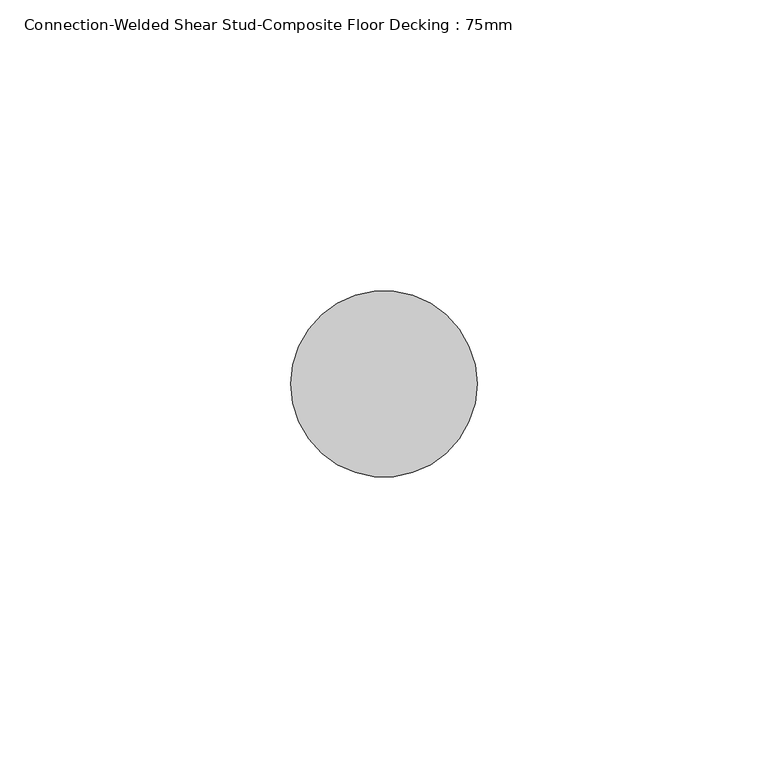
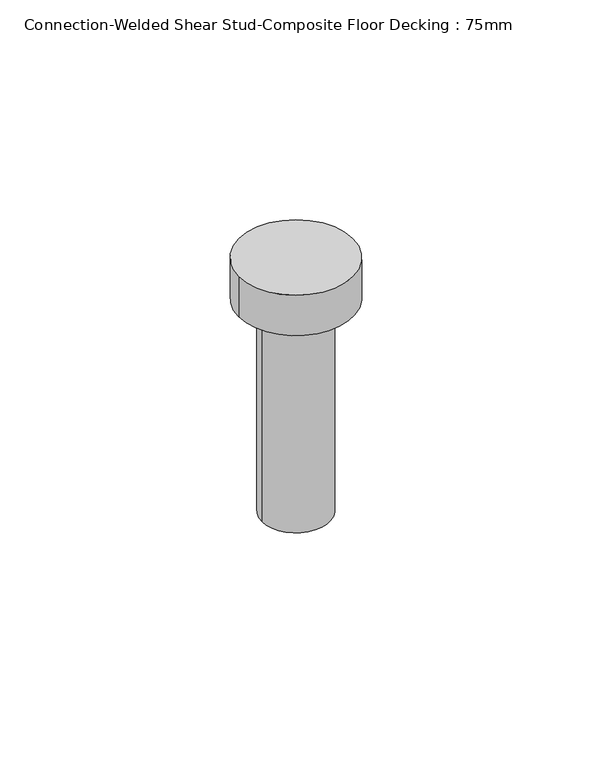
"""IFC4 building model written with IfcOpenShell, lengths in millimetres: fastener geometry, Connection-Welded Shear Stud-Composite Floor Decking : 75mm."""

from ifc_helpers import new_model, si_unit, point, frame, origin, origin_with_axes, origin_2d, place, context, project, spatial, circle_curve, trimmed, segment, composite_curve, outline, extrude, source, transform, mapped, element, save


def connection_welded_shear_stud_composite_floor_decking_75mm_8892bce3(model_context):
    return source(origin(), model_context, "Body", "SweptSolid", [
        extrude(outline(composite_curve([segment(trimmed(circle_curve(origin_2d(), 16.0), [point((16.0, 0.0))], [point((-16.0, 0.0))], False, "CARTESIAN"), True, "CONTINUOUS"), segment(trimmed(circle_curve(origin_2d(), 16.0), [point((-16.0, 0.0))], [point((16.0, 0.0))], False, "CARTESIAN"), True, "CONTINUOUS")], self_intersect=False)), frame((0.0, 0.0, 63.0), z_axis=(0.0, 0.0, 1.0), x_axis=(1.0, 0.0, 0.0)), (0.0, 0.0, 1.0), 12.0),
        extrude(outline(composite_curve([segment(trimmed(circle_curve(origin_2d(), 9.5), [point((-9.5, 0.0))], [point((9.5, 0.0))], False, "CARTESIAN"), True, "CONTINUOUS"), segment(trimmed(circle_curve(origin_2d(), 9.5), [point((9.5, 0.0))], [point((-9.5, 0.0))], False, "CARTESIAN"), True, "CONTINUOUS")], self_intersect=False)), origin_with_axes(), (0.0, 0.0, 1.0), 63.0),
    ])


if __name__ == "__main__":
    model = new_model("IFC4")
    model_context = context("Model", 3, world=origin())
    ifc_project = project(units=[si_unit("LENGTHUNIT", "METRE", prefix="MILLI")], contexts=[model_context])
    site = spatial("IfcSite", under=ifc_project)
    building = spatial("IfcBuilding", under=site)
    placement = place(None, origin())
    connection_welded_shear_stud_composite_floor_decking_75mm_shape = connection_welded_shear_stud_composite_floor_decking_75mm_8892bce3(model_context)
    element("IfcFastener", 1, ObjectType="Connection-Welded Shear Stud-Composite Floor Decking : 75mm", at=placement, inside=building, context=model_context, shape_type="MappedRepresentation", body=[
        mapped(connection_welded_shear_stud_composite_floor_decking_75mm_shape, transform((0.0, 0.0, 0.0), x_axis=(1.0, 0.0, 0.0), y_axis=(0.0, 1.0, 0.0), z_axis=(0.0, 0.0, 1.0))),
    ])
    save(model, "model.ifc")
